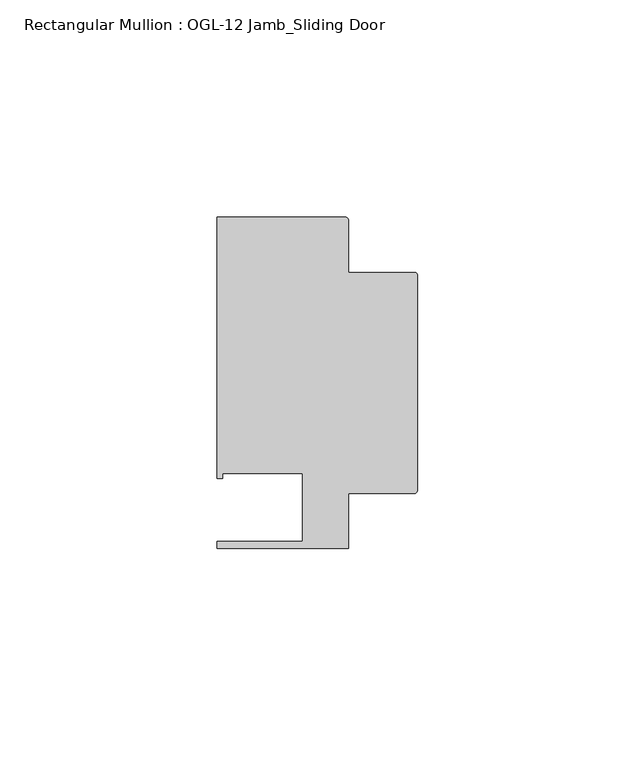
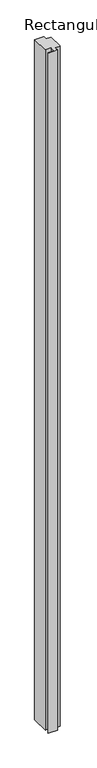
"""IFC4 building model written with IfcOpenShell, lengths in millimetres: member geometry, Rectangular Mullion : OGL-12 Jamb_Sliding Door."""

from ifc_helpers import new_model, si_unit, point, frame, frame_2d, origin, place, context, project, spatial, polyline, circle_curve, trimmed, segment, composite_curve, outline, extrude, source, transform, mapped, element, save


def rectangular_mullion_ogl_12_jamb_sliding_door_e74b48f8(model_context):
    return source(origin(), model_context, "Body", "SweptSolid", [
        extrude(outline(composite_curve([segment(trimmed(circle_curve(frame_2d((-0.5953125, 24.8046875)), 0.5953125), [point((-0.5953125, 25.4))], [point((0.0, 24.8046875))], False, "CARTESIAN"), True, "CONTINUOUS"), segment(polyline([(0.0, 24.8046875), (0.0, -24.8046875)]), True, "CONTINUOUS"), segment(trimmed(circle_curve(frame_2d((-0.5953125, -24.8046875)), 0.5953125), [point((0.0, -24.8046875))], [point((-0.5953125, -25.4))], False, "CARTESIAN"), True, "CONTINUOUS"), segment(polyline([(-0.5953125, -25.4), (-15.8750672, -25.4), (-15.8750672, -38.100016), (-46.0248655, -38.100016), (-46.0248655, -36.512516), (-26.3720794, -36.512516), (-26.3720794, -20.8257348), (-44.7780305, -20.8257348), (-44.7780305, -21.9710976), (-46.0339598, -21.9710976), (-46.0339598, 38.0996792), (-16.4703797, 38.0996792)]), True, "CONTINUOUS"), segment(trimmed(circle_curve(frame_2d((-16.4703797, 37.5043667)), 0.5953125), [point((-16.4703797, 38.0996792))], [point((-15.8750672, 37.5043667))], False, "CARTESIAN"), True, "CONTINUOUS"), segment(polyline([(-15.8750672, 37.5043667), (-15.8750672, 25.4), (-0.5953125, 25.4)]), True, "CONTINUOUS")], self_intersect=False)), frame((0.0, 0.0, -2339.914687), z_axis=(0.0, 0.0, 1.0), x_axis=(1.0, 0.0, 0.0)), (0.0, 0.0, 1.0), 2339.914687),
    ])


if __name__ == "__main__":
    model = new_model("IFC4")
    model_context = context("Model", 3, world=origin())
    ifc_project = project(units=[si_unit("LENGTHUNIT", "METRE", prefix="MILLI")], contexts=[model_context])
    site = spatial("IfcSite", under=ifc_project)
    building = spatial("IfcBuilding", under=site)
    placement = place(None, origin())
    rectangular_mullion_ogl_12_jamb_sliding_door_shape = rectangular_mullion_ogl_12_jamb_sliding_door_e74b48f8(model_context)
    element("IfcMember", 1, ObjectType="Rectangular Mullion : OGL-12 Jamb_Sliding Door", at=placement, inside=building, context=model_context, shape_type="MappedRepresentation", body=[
        mapped(rectangular_mullion_ogl_12_jamb_sliding_door_shape, transform((0.0, 0.0, 0.0), x_axis=(1.0, 0.0, 0.0), y_axis=(0.0, 1.0, 0.0), z_axis=(0.0, 0.0, 1.0))),
    ])
    save(model, "model.ifc")
